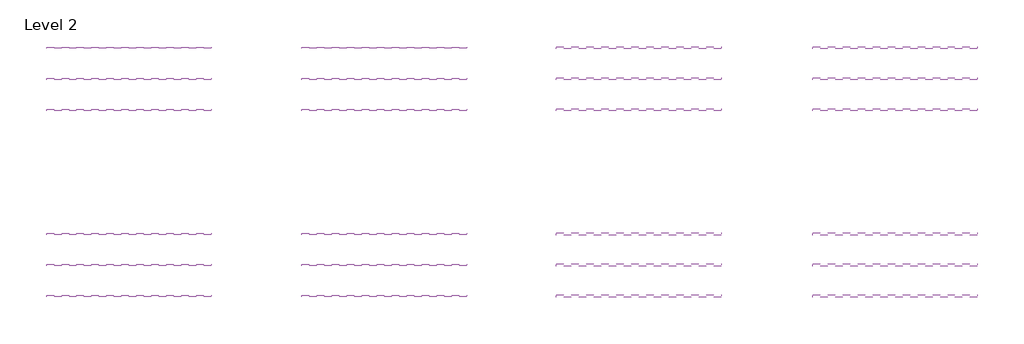
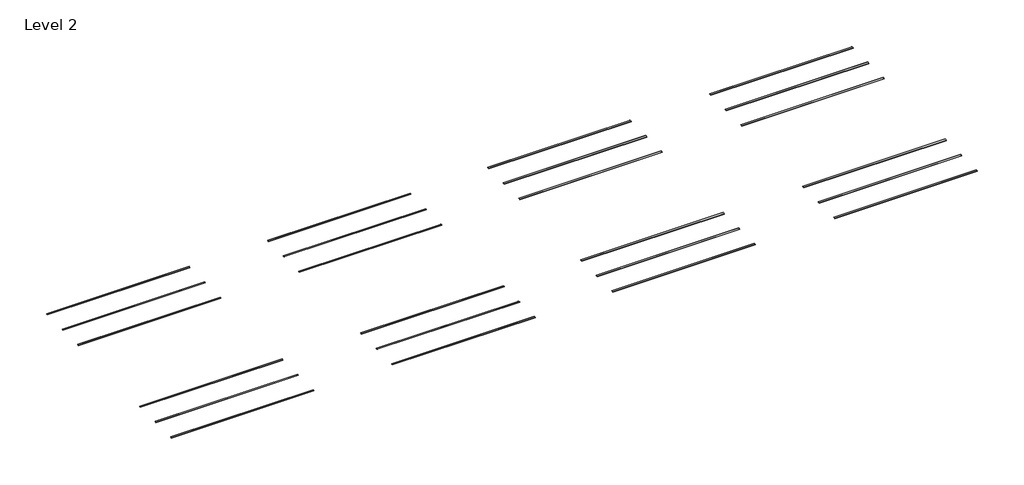
# One storey: 24 proxies.
"""IFC4 building model written with IfcOpenShell, lengths in millimetres."""

from ifc_helpers import new_model, si_unit, frame, origin, place, context, project, spatial, polyline, outline, extrude, element, save

model = new_model("IFC4")

# Units and contexts
model_context = context("Model", 3, world=origin())
ifc_project = project(units=[si_unit("LENGTHUNIT", "METRE", prefix="MILLI")], contexts=[model_context])

# Site, building, storey
site = spatial("IfcSite", under=ifc_project)
building = spatial("IfcBuilding", under=site)
storey = spatial("IfcBuildingStorey", under=building, Name="Level 2", Elevation=3048.0)

# Proxies
placement = place(None, origin())
element("IfcBuildingElementProxy", 1, Name="Wall Sweeps", at=placement, inside=storey, context=model_context, shape_type="SweptSolid", body=[
    extrude(outline(polyline([(-10281.8145104, 6096.0), (-10187.4944464, 6096.0), (-10187.4944464, 6064.25), (-10188.6169784, 6064.25), (-10188.6169784, 6094.4125), (-10280.6919784, 6094.4125), (-10280.6919784, 6064.25), (-10281.8145104, 6064.25), (-10281.8145104, 6096.0)])), frame((-13426.3188029, 0.0, 0.0), z_axis=(1.0, 0.0, 0.0), x_axis=(0.0, 1.0, 0.0)), (0.0, 0.0, 1.0), 10515.6),
])
element("IfcBuildingElementProxy", 2, Name="Wall Sweeps", at=placement, inside=storey, context=model_context, shape_type="SweptSolid", body=[
    extrude(outline(polyline([(-10281.8145104, 6096.0), (-10187.4944464, 6096.0), (-10187.4944464, 6064.25), (-10188.6169784, 6064.25), (-10188.6169784, 6094.4125), (-10280.6919784, 6094.4125), (-10280.6919784, 6064.25), (-10281.8145104, 6064.25), (-10281.8145104, 6096.0)])), frame((-29733.149403, 0.0, 0.0), z_axis=(1.0, 0.0, 0.0), x_axis=(0.0, 1.0, 0.0)), (0.0, 0.0, 1.0), 10515.6),
])
element("IfcBuildingElementProxy", 3, Name="Wall Sweeps", at=placement, inside=storey, context=model_context, shape_type="SweptSolid", body=[
    extrude(outline(polyline([(-10310.8544784, 6096.0), (-10158.4544784, 6096.0), (-10158.4544784, 6064.25), (-10159.5770104, 6064.25), (-10159.5770104, 6094.4125), (-10309.7319464, 6094.4125), (-10309.7319464, 6064.25), (-10310.8544784, 6064.25), (-10310.8544784, 6096.0)])), frame((2816.6681517, 0.0, 0.0), z_axis=(1.0, 0.0, 0.0), x_axis=(0.0, 1.0, 0.0)), (0.0, 0.0, 1.0), 10515.6),
])
element("IfcBuildingElementProxy", 4, Name="Wall Sweeps", at=placement, inside=storey, context=model_context, shape_type="SweptSolid", body=[
    extrude(outline(polyline([(-10310.8544784, 6096.0), (-10158.4544784, 6096.0), (-10158.4544784, 6064.25), (-10159.5770104, 6064.25), (-10159.5770104, 6094.4125), (-10309.7319464, 6094.4125), (-10309.7319464, 6064.25), (-10310.8544784, 6064.25), (-10310.8544784, 6096.0)])), frame((19187.3423973, 0.0, 0.0), z_axis=(1.0, 0.0, 0.0), x_axis=(0.0, 1.0, 0.0)), (0.0, 0.0, 1.0), 10515.6),
])
element("IfcBuildingElementProxy", 5, Name="Wall Sweeps", at=placement, inside=storey, context=model_context, shape_type="SweptSolid", body=[
    extrude(outline(polyline([(1605.3854896, 6096.0), (1699.7055536, 6096.0), (1699.7055536, 6064.25), (1698.5830216, 6064.25), (1698.5830216, 6094.4125), (1606.5080216, 6094.4125), (1606.5080216, 6064.25), (1605.3854896, 6064.25), (1605.3854896, 6096.0)])), frame((-13426.3188029, 0.0, 0.0), z_axis=(1.0, 0.0, 0.0), x_axis=(0.0, 1.0, 0.0)), (0.0, 0.0, 1.0), 10515.6),
])
element("IfcBuildingElementProxy", 6, Name="Wall Sweeps", at=placement, inside=storey, context=model_context, shape_type="SweptSolid", body=[
    extrude(outline(polyline([(1605.3854896, 6096.0), (1699.7055536, 6096.0), (1699.7055536, 6064.25), (1698.5830216, 6064.25), (1698.5830216, 6094.4125), (1606.5080216, 6094.4125), (1606.5080216, 6064.25), (1605.3854896, 6064.25), (1605.3854896, 6096.0)])), frame((-29733.1188029, 0.0, 0.0), z_axis=(1.0, 0.0, 0.0), x_axis=(0.0, 1.0, 0.0)), (0.0, 0.0, 1.0), 10515.6),
])
element("IfcBuildingElementProxy", 7, Name="Wall Sweeps", at=placement, inside=storey, context=model_context, shape_type="SweptSolid", body=[
    extrude(outline(polyline([(1576.3455216, 6096.0), (1728.7455216, 6096.0), (1728.7455216, 6064.25), (1727.6229896, 6064.25), (1727.6229896, 6094.4125), (1577.4680536, 6094.4125), (1577.4680536, 6064.25), (1576.3455216, 6064.25), (1576.3455216, 6096.0)])), frame((2816.6681517, 0.0, 0.0), z_axis=(1.0, 0.0, 0.0), x_axis=(0.0, 1.0, 0.0)), (0.0, 0.0, 1.0), 10515.6),
])
element("IfcBuildingElementProxy", 8, Name="Wall Sweeps", at=placement, inside=storey, context=model_context, shape_type="SweptSolid", body=[
    extrude(outline(polyline([(1576.3455216, 6096.0), (1728.7455216, 6096.0), (1728.7455216, 6064.25), (1727.6229896, 6064.25), (1727.6229896, 6094.4125), (1577.4680536, 6094.4125), (1577.4680536, 6064.25), (1576.3455216, 6064.25), (1576.3455216, 6096.0)])), frame((19187.3423973, 0.0, 0.0), z_axis=(1.0, 0.0, 0.0), x_axis=(0.0, 1.0, 0.0)), (0.0, 0.0, 1.0), 10515.6),
])
element("IfcBuildingElementProxy", 9, Name="Wall Sweeps", at=placement, inside=storey, context=model_context, shape_type="SweptSolid", body=[
    extrude(outline(polyline([(-8300.6145104, 6096.0), (-8206.2944464, 6096.0), (-8206.2944464, 6064.25), (-8207.4169784, 6064.25), (-8207.4169784, 6094.4125), (-8299.4919784, 6094.4125), (-8299.4919784, 6064.25), (-8300.6145104, 6064.25), (-8300.6145104, 6096.0)])), frame((-13426.3188029, 0.0, 0.0), z_axis=(1.0, 0.0, 0.0), x_axis=(0.0, 1.0, 0.0)), (0.0, 0.0, 1.0), 10515.6),
])
element("IfcBuildingElementProxy", 10, Name="Wall Sweeps", at=placement, inside=storey, context=model_context, shape_type="SweptSolid", body=[
    extrude(outline(polyline([(-8300.6145104, 6096.0), (-8206.2944464, 6096.0), (-8206.2944464, 6064.25), (-8207.4169784, 6064.25), (-8207.4169784, 6094.4125), (-8299.4919784, 6094.4125), (-8299.4919784, 6064.25), (-8300.6145104, 6064.25), (-8300.6145104, 6096.0)])), frame((-29733.149403, 0.0, 0.0), z_axis=(1.0, 0.0, 0.0), x_axis=(0.0, 1.0, 0.0)), (0.0, 0.0, 1.0), 10515.6),
])
element("IfcBuildingElementProxy", 11, Name="Wall Sweeps", at=placement, inside=storey, context=model_context, shape_type="SweptSolid", body=[
    extrude(outline(polyline([(-8329.6544784, 6096.0), (-8177.2544784, 6096.0), (-8177.2544784, 6064.25), (-8178.3770104, 6064.25), (-8178.3770104, 6094.4125), (-8328.5319464, 6094.4125), (-8328.5319464, 6064.25), (-8329.6544784, 6064.25), (-8329.6544784, 6096.0)])), frame((2816.6681517, 0.0, 0.0), z_axis=(1.0, 0.0, 0.0), x_axis=(0.0, 1.0, 0.0)), (0.0, 0.0, 1.0), 10515.6),
])
element("IfcBuildingElementProxy", 12, Name="Wall Sweeps", at=placement, inside=storey, context=model_context, shape_type="SweptSolid", body=[
    extrude(outline(polyline([(-8329.6544784, 6096.0), (-8177.2544784, 6096.0), (-8177.2544784, 6064.25), (-8178.3770104, 6064.25), (-8178.3770104, 6094.4125), (-8328.5319464, 6094.4125), (-8328.5319464, 6064.25), (-8329.6544784, 6064.25), (-8329.6544784, 6096.0)])), frame((19187.3423973, 0.0, 0.0), z_axis=(1.0, 0.0, 0.0), x_axis=(0.0, 1.0, 0.0)), (0.0, 0.0, 1.0), 10515.6),
])
element("IfcBuildingElementProxy", 13, Name="Wall Sweeps", at=placement, inside=storey, context=model_context, shape_type="SweptSolid", body=[
    extrude(outline(polyline([(-6319.4145104, 6096.0), (-6225.0944464, 6096.0), (-6225.0944464, 6064.25), (-6226.2169784, 6064.25), (-6226.2169784, 6094.4125), (-6318.2919784, 6094.4125), (-6318.2919784, 6064.25), (-6319.4145104, 6064.25), (-6319.4145104, 6096.0)])), frame((-13426.3188029, 0.0, 0.0), z_axis=(1.0, 0.0, 0.0), x_axis=(0.0, 1.0, 0.0)), (0.0, 0.0, 1.0), 10515.6),
])
element("IfcBuildingElementProxy", 14, Name="Wall Sweeps", at=placement, inside=storey, context=model_context, shape_type="SweptSolid", body=[
    extrude(outline(polyline([(-6319.4145104, 6096.0), (-6225.0944464, 6096.0), (-6225.0944464, 6064.25), (-6226.2169784, 6064.25), (-6226.2169784, 6094.4125), (-6318.2919784, 6094.4125), (-6318.2919784, 6064.25), (-6319.4145104, 6064.25), (-6319.4145104, 6096.0)])), frame((-29733.149403, 0.0, 0.0), z_axis=(1.0, 0.0, 0.0), x_axis=(0.0, 1.0, 0.0)), (0.0, 0.0, 1.0), 10515.6),
])
element("IfcBuildingElementProxy", 15, Name="Wall Sweeps", at=placement, inside=storey, context=model_context, shape_type="SweptSolid", body=[
    extrude(outline(polyline([(-6348.4544784, 6096.0), (-6196.0544784, 6096.0), (-6196.0544784, 6064.25), (-6197.1770104, 6064.25), (-6197.1770104, 6094.4125), (-6347.3319464, 6094.4125), (-6347.3319464, 6064.25), (-6348.4544784, 6064.25), (-6348.4544784, 6096.0)])), frame((2816.6681517, 0.0, 0.0), z_axis=(1.0, 0.0, 0.0), x_axis=(0.0, 1.0, 0.0)), (0.0, 0.0, 1.0), 10515.6),
])
element("IfcBuildingElementProxy", 16, Name="Wall Sweeps", at=placement, inside=storey, context=model_context, shape_type="SweptSolid", body=[
    extrude(outline(polyline([(-6348.4544784, 6096.0), (-6196.0544784, 6096.0), (-6196.0544784, 6064.25), (-6197.1770104, 6064.25), (-6197.1770104, 6094.4125), (-6347.3319464, 6094.4125), (-6347.3319464, 6064.25), (-6348.4544784, 6064.25), (-6348.4544784, 6096.0)])), frame((19187.3423973, 0.0, 0.0), z_axis=(1.0, 0.0, 0.0), x_axis=(0.0, 1.0, 0.0)), (0.0, 0.0, 1.0), 10515.6),
])
element("IfcBuildingElementProxy", 17, Name="Wall Sweeps", at=placement, inside=storey, context=model_context, shape_type="SweptSolid", body=[
    extrude(outline(polyline([(3586.5854896, 6096.0), (3680.9055536, 6096.0), (3680.9055536, 6064.25), (3679.7830216, 6064.25), (3679.7830216, 6094.4125), (3587.7080216, 6094.4125), (3587.7080216, 6064.25), (3586.5854896, 6064.25), (3586.5854896, 6096.0)])), frame((-13426.3188029, 0.0, 0.0), z_axis=(1.0, 0.0, 0.0), x_axis=(0.0, 1.0, 0.0)), (0.0, 0.0, 1.0), 10515.6),
])
element("IfcBuildingElementProxy", 18, Name="Wall Sweeps", at=placement, inside=storey, context=model_context, shape_type="SweptSolid", body=[
    extrude(outline(polyline([(3586.5854896, 6096.0), (3680.9055536, 6096.0), (3680.9055536, 6064.25), (3679.7830216, 6064.25), (3679.7830216, 6094.4125), (3587.7080216, 6094.4125), (3587.7080216, 6064.25), (3586.5854896, 6064.25), (3586.5854896, 6096.0)])), frame((-29733.1188029, 0.0, 0.0), z_axis=(1.0, 0.0, 0.0), x_axis=(0.0, 1.0, 0.0)), (0.0, 0.0, 1.0), 10515.6),
])
element("IfcBuildingElementProxy", 19, Name="Wall Sweeps", at=placement, inside=storey, context=model_context, shape_type="SweptSolid", body=[
    extrude(outline(polyline([(3557.5455216, 6096.0), (3709.9455216, 6096.0), (3709.9455216, 6064.25), (3708.8229896, 6064.25), (3708.8229896, 6094.4125), (3558.6680536, 6094.4125), (3558.6680536, 6064.25), (3557.5455216, 6064.25), (3557.5455216, 6096.0)])), frame((2816.6681517, 0.0, 0.0), z_axis=(1.0, 0.0, 0.0), x_axis=(0.0, 1.0, 0.0)), (0.0, 0.0, 1.0), 10515.6),
])
element("IfcBuildingElementProxy", 20, Name="Wall Sweeps", at=placement, inside=storey, context=model_context, shape_type="SweptSolid", body=[
    extrude(outline(polyline([(3557.5455216, 6096.0), (3709.9455216, 6096.0), (3709.9455216, 6064.25), (3708.8229896, 6064.25), (3708.8229896, 6094.4125), (3558.6680536, 6094.4125), (3558.6680536, 6064.25), (3557.5455216, 6064.25), (3557.5455216, 6096.0)])), frame((19187.3423973, 0.0, 0.0), z_axis=(1.0, 0.0, 0.0), x_axis=(0.0, 1.0, 0.0)), (0.0, 0.0, 1.0), 10515.6),
])
element("IfcBuildingElementProxy", 21, Name="Wall Sweeps", at=placement, inside=storey, context=model_context, shape_type="SweptSolid", body=[
    extrude(outline(polyline([(5567.7854896, 6096.0), (5662.1055536, 6096.0), (5662.1055536, 6064.25), (5660.9830216, 6064.25), (5660.9830216, 6094.4125), (5568.9080216, 6094.4125), (5568.9080216, 6064.25), (5567.7854896, 6064.25), (5567.7854896, 6096.0)])), frame((-13426.3188029, 0.0, 0.0), z_axis=(1.0, 0.0, 0.0), x_axis=(0.0, 1.0, 0.0)), (0.0, 0.0, 1.0), 10515.6),
])
element("IfcBuildingElementProxy", 22, Name="Wall Sweeps", at=placement, inside=storey, context=model_context, shape_type="SweptSolid", body=[
    extrude(outline(polyline([(5567.7854896, 6096.0), (5662.1055536, 6096.0), (5662.1055536, 6064.25), (5660.9830216, 6064.25), (5660.9830216, 6094.4125), (5568.9080216, 6094.4125), (5568.9080216, 6064.25), (5567.7854896, 6064.25), (5567.7854896, 6096.0)])), frame((-29733.1188029, 0.0, 0.0), z_axis=(1.0, 0.0, 0.0), x_axis=(0.0, 1.0, 0.0)), (0.0, 0.0, 1.0), 10515.6),
])
element("IfcBuildingElementProxy", 23, Name="Wall Sweeps", at=placement, inside=storey, context=model_context, shape_type="SweptSolid", body=[
    extrude(outline(polyline([(5538.7455216, 6096.0), (5691.1455216, 6096.0), (5691.1455216, 6064.25), (5690.0229896, 6064.25), (5690.0229896, 6094.4125), (5539.8680536, 6094.4125), (5539.8680536, 6064.25), (5538.7455216, 6064.25), (5538.7455216, 6096.0)])), frame((2816.6681517, 0.0, 0.0), z_axis=(1.0, 0.0, 0.0), x_axis=(0.0, 1.0, 0.0)), (0.0, 0.0, 1.0), 10515.6),
])
element("IfcBuildingElementProxy", 24, Name="Wall Sweeps", at=placement, inside=storey, context=model_context, shape_type="SweptSolid", body=[
    extrude(outline(polyline([(5538.7455216, 6096.0), (5691.1455216, 6096.0), (5691.1455216, 6064.25), (5690.0229896, 6064.25), (5690.0229896, 6094.4125), (5539.8680536, 6094.4125), (5539.8680536, 6064.25), (5538.7455216, 6064.25), (5538.7455216, 6096.0)])), frame((19187.3423973, 0.0, 0.0), z_axis=(1.0, 0.0, 0.0), x_axis=(0.0, 1.0, 0.0)), (0.0, 0.0, 1.0), 10515.6),
])

save(model, "model.ifc")
